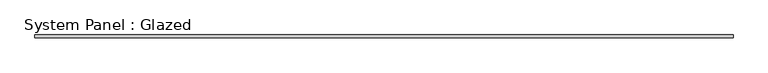
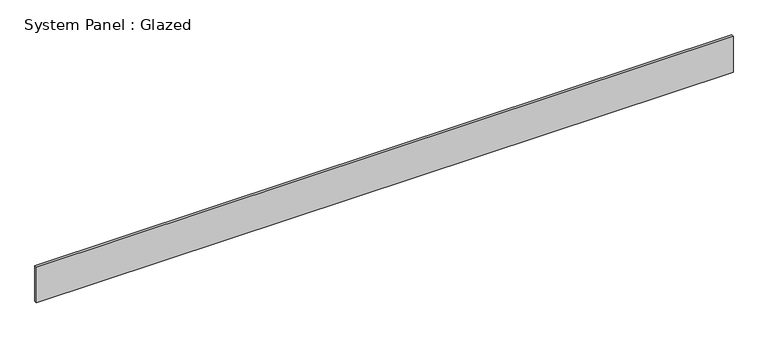
"""IFC4 building model written with IfcOpenShell, lengths in millimetres: plate geometry, System Panel : Glazed."""

from ifc_helpers import new_model, si_unit, origin, origin_with_axes, place, context, project, spatial, polyline, outline, extrude, source, transform, mapped, element, save


def system_panel_glazed_7a9f97c5(model_context):
    return source(origin(), model_context, "Body", "SweptSolid", [
        extrude(outline(polyline([(3220.8292416, 24.5), (-3220.8292416, 24.5), (-3220.8292416, 49.5), (3220.8292416, 49.5), (3220.8292416, 24.5)])), origin_with_axes(), (0.0, 0.0, 1.0), 350.0),
    ])


if __name__ == "__main__":
    model = new_model("IFC4")
    model_context = context("Model", 3, world=origin())
    ifc_project = project(units=[si_unit("LENGTHUNIT", "METRE", prefix="MILLI")], contexts=[model_context])
    site = spatial("IfcSite", under=ifc_project)
    building = spatial("IfcBuilding", under=site)
    placement = place(None, origin())
    system_panel_glazed_shape = system_panel_glazed_7a9f97c5(model_context)
    element("IfcPlate", 1, ObjectType="System Panel : Glazed", at=placement, inside=building, context=model_context, shape_type="MappedRepresentation", body=[
        mapped(system_panel_glazed_shape, transform((0.0, 0.0, 0.0), x_axis=(1.0, 0.0, 0.0), y_axis=(0.0, 1.0, 0.0), z_axis=(0.0, 0.0, 1.0))),
    ])
    save(model, "model.ifc")
